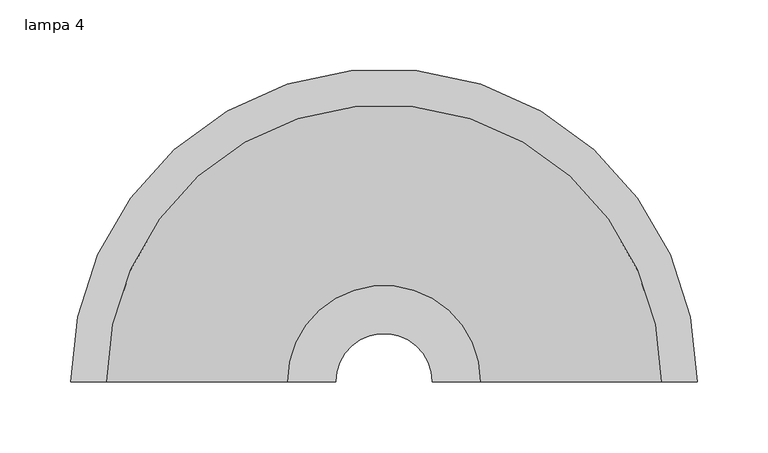
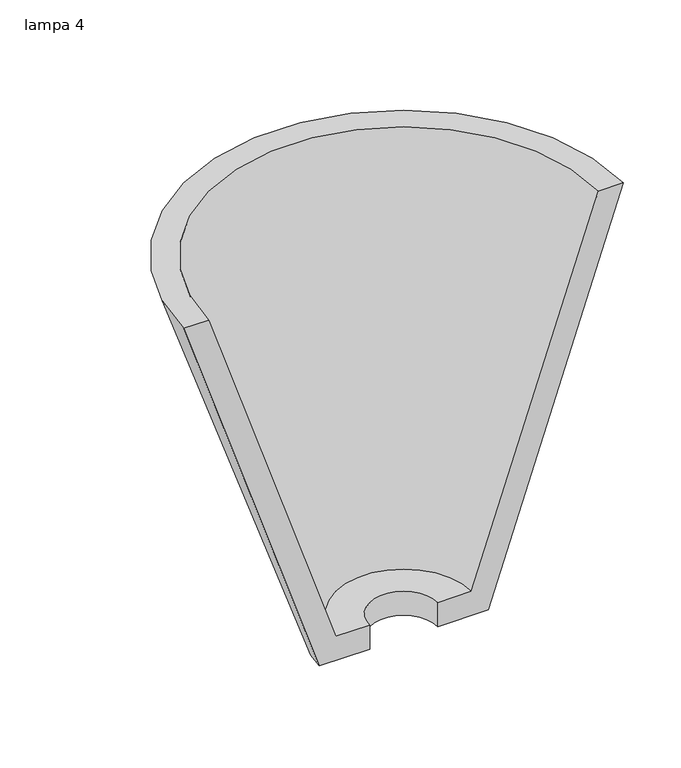
"""IFC4 building model written with IfcOpenShell, lengths in millimetres: light fixture geometry, lampa 4."""

from ifc_helpers import new_model, si_unit, frame, origin, place, context, project, spatial, polyline, circle_curve, source, transform, mapped, element, save
from ifc_brep_helpers import plane_surface, revolved_surface, advanced_brep


def lampa_4_31e6eaa5(model_context):
    return source(origin(), model_context, "Body", "AdvancedBrep", [
        advanced_brep(
        [(-221.2056669, 500.0, 2103.2), (-85.0253975, 500.0, 1696.8), (-34.2253975, 500.0, 1696.8), (-34.2253975, 500.0, 1722.2), (-68.1366644, 500.0, 1722.2), (-195.8056669, 500.0, 2103.2), (221.2056669, 500.0, 2103.2), (195.8056669, 500.0, 2103.2), (68.1366644, 500.0, 1722.2), (34.2253975, 500.0, 1722.2), (34.2253975, 500.0, 1696.8), (85.0253975, 500.0, 1696.8)],
        [
            (0, 1),
            (1, 2),
            (2, 3),
            (3, 4),
            (4, 5),
            (5, 0),
            (6, 7),
            (7, 8),
            (8, 9),
            (9, 10),
            (10, 11),
            (11, 6),
            (11, 1, circle_curve(frame((0.0, 500.0, 1696.8), z_axis=(0.0, 0.0, 1.0), x_axis=(-1.0, 0.0, 0.0)), 85.0253975)),
            (0, 6, circle_curve(frame((0.0, 500.0, 2103.2), z_axis=(0.0, 0.0, -1.0), x_axis=(-1.0, 0.0, 0.0)), 221.2056669)),
            (10, 2, circle_curve(frame((0.0, 500.0, 1696.8), z_axis=(0.0, 0.0, 1.0), x_axis=(-1.0, 0.0, 0.0)), 34.2253975)),
            (9, 3, circle_curve(frame((0.0, 500.0, 1722.2), z_axis=(0.0, 0.0, 1.0), x_axis=(-1.0, 0.0, 0.0)), 34.2253975)),
            (8, 4, circle_curve(frame((0.0, 500.0, 1722.2), z_axis=(0.0, 0.0, 1.0), x_axis=(-1.0, 0.0, 0.0)), 68.1366644)),
            (7, 5, circle_curve(frame((0.0, 500.0, 2103.2), z_axis=(0.0, 0.0, 1.0), x_axis=(-1.0, 0.0, 0.0)), 195.8056669)),
        ],
        [
            plane_surface(frame((0.0, 500.0, 1936.774367), z_axis=(0.0, -1.0, 0.0), x_axis=(-1.0, 0.0, 0.0))),
            plane_surface(frame((0.0, 500.0, 1936.774367), z_axis=(0.0, -1.0, 0.0), x_axis=(1.0, 0.0, 0.0))),
            revolved_surface(polyline([(-221.2056669, 500.0, 2103.2), (-85.0253975, 500.0, 1696.8)]), (0.0, 500.0, 1936.774367), (0.0, 0.0, -1.0)),
            plane_surface(frame((0.0, 500.0, 1696.8), z_axis=(0.0, 0.0, -1.0), x_axis=(-1.0, 0.0, 0.0))),
            revolved_surface(polyline([(-34.2253975, 500.0, 1696.8), (-34.2253975, 500.0, 1722.2)]), (0.0, 500.0, 1936.774367), (0.0, 0.0, -1.0)),
            plane_surface(frame((0.0, 500.0, 1722.2), z_axis=(0.0, 0.0, 1.0), x_axis=(-1.0, 0.0, 0.0))),
            revolved_surface(polyline([(-68.1366644, 500.0, 1722.2), (-195.8056669, 500.0, 2103.2)]), (0.0, 500.0, 1936.774367), (0.0, 0.0, -1.0)),
            plane_surface(frame((0.0, 500.0, 2103.2), z_axis=(0.0, 0.0, 1.0), x_axis=(-1.0, 0.0, 0.0))),
        ],
        [
            (0, [[1, 2, 3, 4, 5, 6]]),
            (1, [[7, 8, 9, 10, 11, 12]]),
            (2, [[13, -1, 14, -12]]),
            (3, [[15, -2, -13, -11]]),
            (4, [[16, -3, -15, -10]]),
            (5, [[17, -4, -16, -9]]),
            (6, [[18, -5, -17, -8]]),
            (7, [[-14, -6, -18, -7]]),
        ],
    ),
    ])


if __name__ == "__main__":
    model = new_model("IFC4")
    model_context = context("Model", 3, world=origin())
    ifc_project = project(units=[si_unit("LENGTHUNIT", "METRE", prefix="MILLI")], contexts=[model_context])
    site = spatial("IfcSite", under=ifc_project)
    building = spatial("IfcBuilding", under=site)
    placement = place(None, origin())
    lampa_4_shape = lampa_4_31e6eaa5(model_context)
    element("IfcLightFixture", 1, ObjectType="lampa 4", at=placement, inside=building, context=model_context, shape_type="MappedRepresentation", body=[
        mapped(lampa_4_shape, transform((0.0, 0.0, 0.0), x_axis=(1.0, 0.0, 0.0), y_axis=(0.0, 1.0, 0.0), z_axis=(0.0, 0.0, 1.0))),
    ])
    save(model, "model.ifc")
